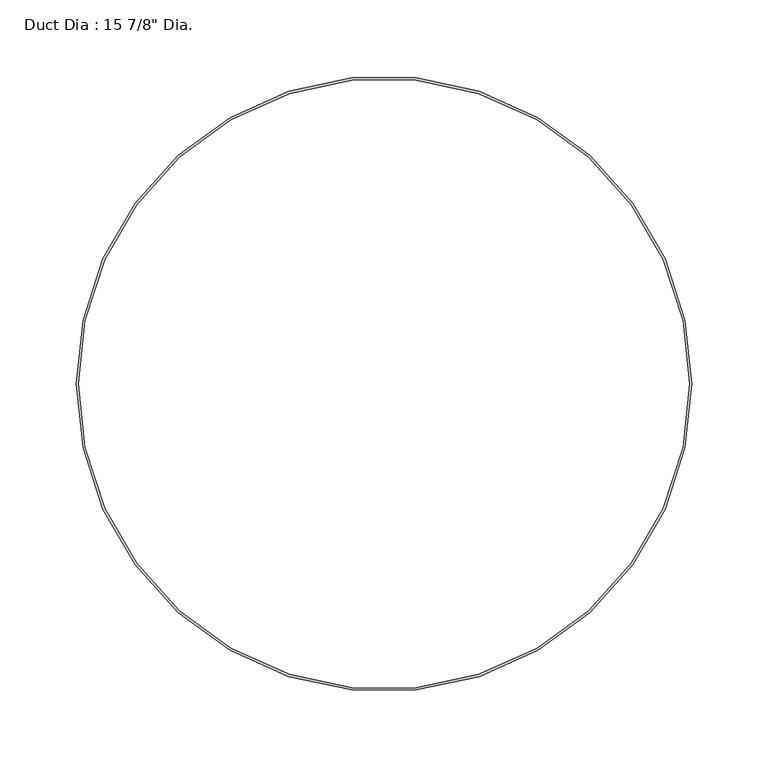
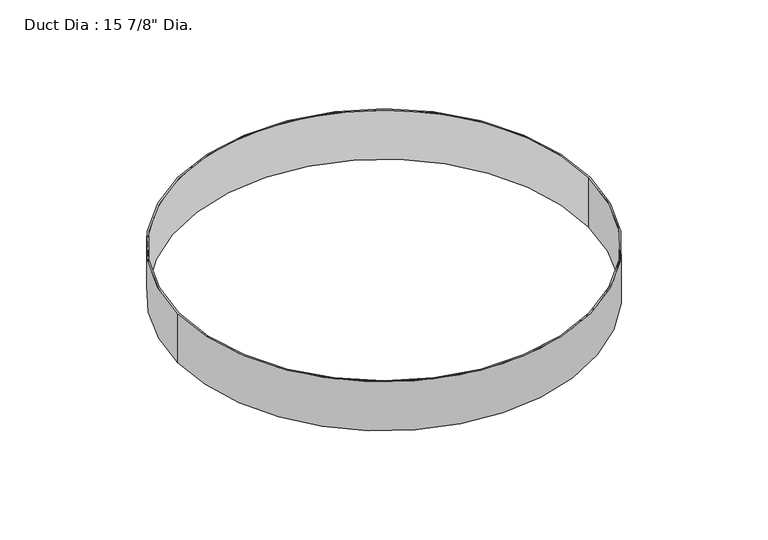
"""IFC4 building model written with IfcOpenShell, lengths in millimetres: proxy geometry."""

from ifc_helpers import new_model, si_unit, point, origin, origin_with_axes, origin_2d, place, context, project, spatial, circle_curve, trimmed, segment, composite_curve, outline, extrude, source, transform, mapped, element, save


def proxy_c29732c9(model_context):
    return source(origin(), model_context, "Body", "SweptSolid", [
        extrude(outline(composite_curve([segment(trimmed(circle_curve(origin_2d(), 201.6125), [point((-201.6125, 0.0))], [point((201.6125, 0.0))], False, "CARTESIAN"), True, "CONTINUOUS"), segment(trimmed(circle_curve(origin_2d(), 201.6125), [point((201.6125, 0.0))], [point((-201.6125, 0.0))], False, "CARTESIAN"), True, "CONTINUOUS")], self_intersect=False), holes=[composite_curve([segment(trimmed(circle_curve(origin_2d(), 200.025), [point((-200.025, 0.0))], [point((200.025, 0.0))], True, "CARTESIAN"), True, "CONTINUOUS"), segment(trimmed(circle_curve(origin_2d(), 200.025), [point((200.025, 0.0))], [point((-200.025, 0.0))], True, "CARTESIAN"), True, "CONTINUOUS")], self_intersect=False)]), origin_with_axes(), (0.0, 0.0, 1.0), 50.8),
    ])


if __name__ == "__main__":
    model = new_model("IFC4")
    model_context = context("Model", 3, world=origin())
    ifc_project = project(units=[si_unit("LENGTHUNIT", "METRE", prefix="MILLI")], contexts=[model_context])
    site = spatial("IfcSite", under=ifc_project)
    building = spatial("IfcBuilding", under=site)
    placement = place(None, origin())
    proxy_shape = proxy_c29732c9(model_context)
    element("IfcBuildingElementProxy", 1, Name="Duct Dia : 15 7/8\" Dia.", ObjectType="Duct Dia : 15 7/8\" Dia.", at=placement, inside=building, context=model_context, shape_type="MappedRepresentation", body=[
        mapped(proxy_shape, transform((0.0, 0.0, 0.0), x_axis=(1.0, 0.0, 0.0), y_axis=(0.0, 1.0, 0.0), z_axis=(0.0, 0.0, 1.0))),
    ])
    save(model, "model.ifc")
